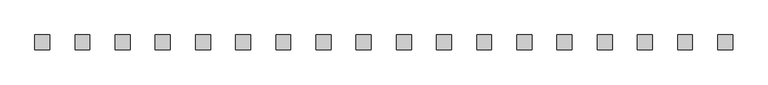
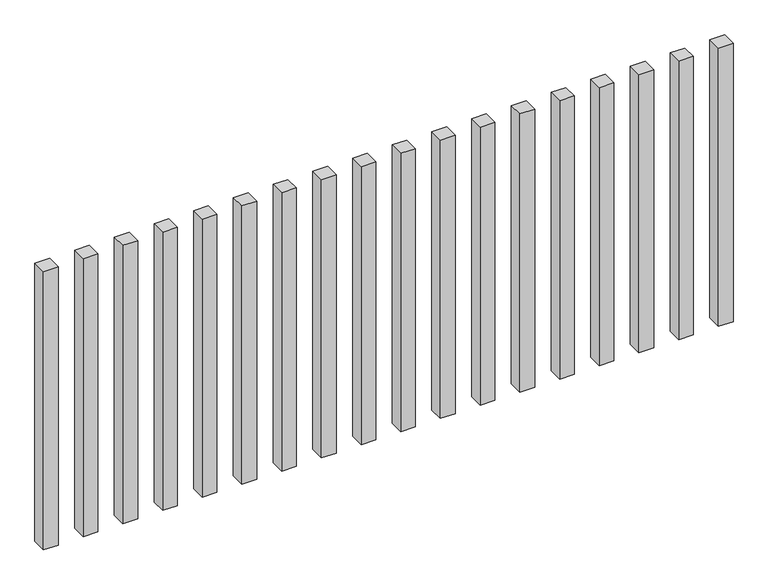
"""IFC4 building model written with IfcOpenShell, lengths in millimetres: railing geometry."""

from ifc_helpers import new_model, si_unit, origin, origin_with_axes, place, context, project, spatial, polyline, outline, extrude, source, transform, mapped, element, save


def railing_48e3f80d(model_context):
    return source(origin(), model_context, "Body", "SweptSolid", [
        extrude(outline(polyline([(-10707.5700772, -92454.0267127), (-10707.5700772, -92404.0267127), (-10657.5700772, -92404.0267127), (-10657.5700772, -92454.0267127), (-10707.5700772, -92454.0267127)])), origin_with_axes(), (0.0, 0.0, 1.0), 1000.0),
        extrude(outline(polyline([(-10842.5700772, -92454.0267127), (-10842.5700772, -92404.0267127), (-10792.5700772, -92404.0267127), (-10792.5700772, -92454.0267127), (-10842.5700772, -92454.0267127)])), origin_with_axes(), (0.0, 0.0, 1.0), 1000.0),
        extrude(outline(polyline([(-10977.5700772, -92454.0267127), (-10977.5700772, -92404.0267127), (-10927.5700772, -92404.0267127), (-10927.5700772, -92454.0267127), (-10977.5700772, -92454.0267127)])), origin_with_axes(), (0.0, 0.0, 1.0), 1000.0),
        extrude(outline(polyline([(-11112.5700772, -92454.0267127), (-11112.5700772, -92404.0267127), (-11062.5700772, -92404.0267127), (-11062.5700772, -92454.0267127), (-11112.5700772, -92454.0267127)])), origin_with_axes(), (0.0, 0.0, 1.0), 1000.0),
        extrude(outline(polyline([(-11247.5700772, -92454.0267127), (-11247.5700772, -92404.0267127), (-11197.5700772, -92404.0267127), (-11197.5700772, -92454.0267127), (-11247.5700772, -92454.0267127)])), origin_with_axes(), (0.0, 0.0, 1.0), 1000.0),
        extrude(outline(polyline([(-11382.5700772, -92454.0267127), (-11382.5700772, -92404.0267127), (-11332.5700772, -92404.0267127), (-11332.5700772, -92454.0267127), (-11382.5700772, -92454.0267127)])), origin_with_axes(), (0.0, 0.0, 1.0), 1000.0),
        extrude(outline(polyline([(-11517.5700772, -92454.0267127), (-11517.5700772, -92404.0267127), (-11467.5700772, -92404.0267127), (-11467.5700772, -92454.0267127), (-11517.5700772, -92454.0267127)])), origin_with_axes(), (0.0, 0.0, 1.0), 1000.0),
        extrude(outline(polyline([(-11652.5700772, -92454.0267127), (-11652.5700772, -92404.0267127), (-11602.5700772, -92404.0267127), (-11602.5700772, -92454.0267127), (-11652.5700772, -92454.0267127)])), origin_with_axes(), (0.0, 0.0, 1.0), 1000.0),
        extrude(outline(polyline([(-11787.5700772, -92454.0267127), (-11787.5700772, -92404.0267127), (-11737.5700772, -92404.0267127), (-11737.5700772, -92454.0267127), (-11787.5700772, -92454.0267127)])), origin_with_axes(), (0.0, 0.0, 1.0), 1000.0),
        extrude(outline(polyline([(-11922.5700772, -92454.0267127), (-11922.5700772, -92404.0267127), (-11872.5700772, -92404.0267127), (-11872.5700772, -92454.0267127), (-11922.5700772, -92454.0267127)])), origin_with_axes(), (0.0, 0.0, 1.0), 1000.0),
        extrude(outline(polyline([(-12057.5700772, -92454.0267127), (-12057.5700772, -92404.0267127), (-12007.5700772, -92404.0267127), (-12007.5700772, -92454.0267127), (-12057.5700772, -92454.0267127)])), origin_with_axes(), (0.0, 0.0, 1.0), 1000.0),
        extrude(outline(polyline([(-12192.5700772, -92454.0267127), (-12192.5700772, -92404.0267127), (-12142.5700772, -92404.0267127), (-12142.5700772, -92454.0267127), (-12192.5700772, -92454.0267127)])), origin_with_axes(), (0.0, 0.0, 1.0), 1000.0),
        extrude(outline(polyline([(-12327.5700772, -92454.0267127), (-12327.5700772, -92404.0267127), (-12277.5700772, -92404.0267127), (-12277.5700772, -92454.0267127), (-12327.5700772, -92454.0267127)])), origin_with_axes(), (0.0, 0.0, 1.0), 1000.0),
        extrude(outline(polyline([(-12462.5700772, -92454.0267127), (-12462.5700772, -92404.0267127), (-12412.5700772, -92404.0267127), (-12412.5700772, -92454.0267127), (-12462.5700772, -92454.0267127)])), origin_with_axes(), (0.0, 0.0, 1.0), 1000.0),
        extrude(outline(polyline([(-12597.5700772, -92454.0267127), (-12597.5700772, -92404.0267127), (-12547.5700772, -92404.0267127), (-12547.5700772, -92454.0267127), (-12597.5700772, -92454.0267127)])), origin_with_axes(), (0.0, 0.0, 1.0), 1000.0),
        extrude(outline(polyline([(-12732.5700772, -92454.0267127), (-12732.5700772, -92404.0267127), (-12682.5700772, -92404.0267127), (-12682.5700772, -92454.0267127), (-12732.5700772, -92454.0267127)])), origin_with_axes(), (0.0, 0.0, 1.0), 1000.0),
        extrude(outline(polyline([(-12867.5700772, -92454.0267127), (-12867.5700772, -92404.0267127), (-12817.5700772, -92404.0267127), (-12817.5700772, -92454.0267127), (-12867.5700772, -92454.0267127)])), origin_with_axes(), (0.0, 0.0, 1.0), 1000.0),
        extrude(outline(polyline([(-13002.5700772, -92454.0267127), (-13002.5700772, -92404.0267127), (-12952.5700772, -92404.0267127), (-12952.5700772, -92454.0267127), (-13002.5700772, -92454.0267127)])), origin_with_axes(), (0.0, 0.0, 1.0), 1000.0),
    ])


if __name__ == "__main__":
    model = new_model("IFC4")
    model_context = context("Model", 3, world=origin())
    ifc_project = project(units=[si_unit("LENGTHUNIT", "METRE", prefix="MILLI")], contexts=[model_context])
    site = spatial("IfcSite", under=ifc_project)
    building = spatial("IfcBuilding", under=site)
    placement = place(None, origin())
    railing_shape = railing_48e3f80d(model_context)
    element("IfcRailing", 1, at=placement, inside=building, context=model_context, shape_type="MappedRepresentation", body=[
        mapped(railing_shape, transform((0.0, 0.0, 0.0), x_axis=(1.0, 0.0, 0.0), y_axis=(0.0, 1.0, 0.0), z_axis=(0.0, 0.0, 1.0))),
    ])
    save(model, "model.ifc")
